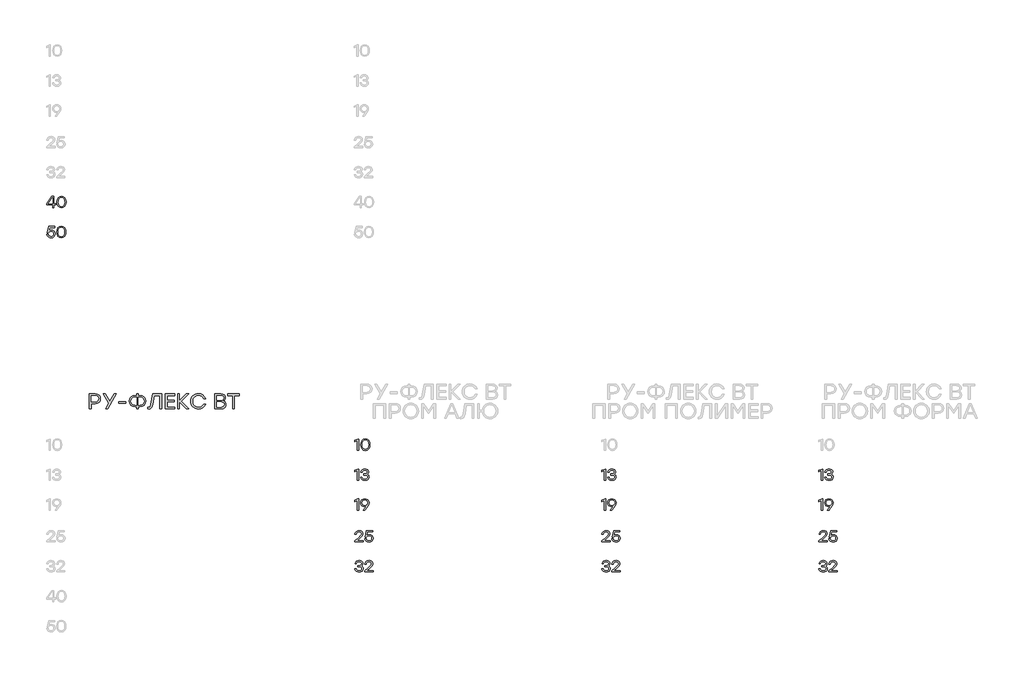
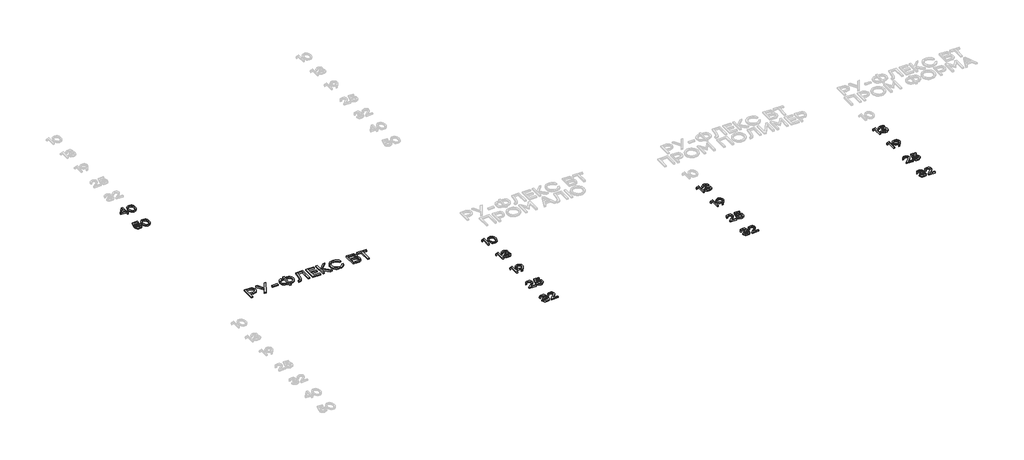
# One storey, part 18 of 41: 16 proxies.
"""IFC4 building model written with IfcOpenShell, lengths in millimetres."""

import ifcopenshell
import ifcopenshell.guid

model = None  # the IFC model being written
_history = None  # IfcOwnerHistory: only IFC2X3 demands one
_inside = {}  # id of a spatial element -> (the spatial element, [elements in it])
_under = {}  # id of a project, library or spatial element -> (it, [spatial elements below it])
_declared = {}  # id of a project -> (the project, [libraries it declares])
_typed = {}  # id of a type object -> (the type object, [elements of that type])
_made_of = {}  # id of a material, layer set ... -> (it, [elements and type objects made of it])


def new_model(schema):
    """Start an empty IFC model of exactly this schema.

    Asked for "IFC4X3", IfcOpenShell would pick the latest addendum, in which some entities
    have other attributes; the version numbers below select the first issue.
    IFC2X3 requires an IfcOwnerHistory on every rooted entity: one is made here for all.
    """
    global model, _history
    if schema == "IFC4X3":
        model = ifcopenshell.file(schema_version=(4, 3, 0, 0))
    else:
        model = ifcopenshell.file(schema=schema)
    _inside.clear()
    _under.clear()
    _declared.clear()
    _typed.clear()
    _made_of.clear()
    _history = None
    if model.schema == "IFC2X3":
        org = make("IfcOrganization", Name="unknown")
        user = make(
            "IfcPersonAndOrganization",
            ThePerson=make("IfcPerson", FamilyName="unknown"),
            TheOrganization=org,
        )
        app = make(
            "IfcApplication",
            ApplicationDeveloper=org,
            Version="unknown",
            ApplicationFullName="unknown",
            ApplicationIdentifier="unknown",
        )
        _history = make(
            "IfcOwnerHistory",
            OwningUser=user,
            OwningApplication=app,
            ChangeAction="ADDED",
            CreationDate=0,
        )
    return model


def make(cls, **values):
    """One entity of the class cls with the attributes given. An attribute that is None is left unset."""
    return model.create_entity(
        cls, **{name: value for name, value in values.items() if value is not None}
    )


def rooted(cls, **values):
    """An entity with a GlobalId (a new one), such as an element, a storey or a relation."""
    return make(cls, GlobalId=ifcopenshell.guid.new(), OwnerHistory=_history, **values)


def si_unit(unit_type, name, prefix=None):
    """IfcSIUnit, for example si_unit("LENGTHUNIT", "METRE", prefix="MILLI")."""
    return make("IfcSIUnit", UnitType=unit_type, Prefix=prefix, Name=name)


def assignment(units):
    """IfcUnitAssignment: the units of a project."""
    return None if units is None else make("IfcUnitAssignment", Units=units)


def point(xyz):
    """IfcCartesianPoint."""
    return None if xyz is None else make("IfcCartesianPoint", Coordinates=xyz)


def direction(xyz):
    """IfcDirection."""
    return None if xyz is None else make("IfcDirection", DirectionRatios=xyz)


def frame(location, z_axis=None, x_axis=None):
    """IfcAxis2Placement3D, a coordinate frame: its origin and axes. An axis left out is left unset."""
    return make(
        "IfcAxis2Placement3D",
        Location=point(location),
        Axis=direction(z_axis),
        RefDirection=direction(x_axis),
    )


def origin():
    """The frame at (0, 0, 0) with its axes left unset."""
    return frame((0.0, 0.0, 0.0))


def origin_with_axes():
    """The frame at (0, 0, 0) with the z axis (0, 0, 1) and the x axis (1, 0, 0) written out."""
    return frame((0.0, 0.0, 0.0), z_axis=(0.0, 0.0, 1.0), x_axis=(1.0, 0.0, 0.0))


def place(relative_to, where):
    """IfcLocalPlacement: puts the frame where relative to a parent placement (None: the world)."""
    return make(
        "IfcLocalPlacement", PlacementRelTo=relative_to, RelativePlacement=where
    )


def context(
    kind, dimensions, precision=None, world=None, true_north=None, identifier=None
):
    """IfcGeometricRepresentationContext, for example the 3D "Model" context."""
    return make(
        "IfcGeometricRepresentationContext",
        ContextIdentifier=identifier,
        ContextType=kind,
        CoordinateSpaceDimension=dimensions,
        Precision=precision,
        WorldCoordinateSystem=world,
        TrueNorth=true_north,
    )


def project(units=None, contexts=None):
    """IfcProject with its units and contexts."""
    return rooted(
        "IfcProject",
        Name="project",
        RepresentationContexts=contexts,
        UnitsInContext=assignment(units),
    )


def spatial(cls, under=None, at=None, **own):
    """A site, building, storey or space (cls), placed at a placement, below another one or the project."""
    s = rooted(cls, ObjectPlacement=at, **own)
    if under is not None:
        _under.setdefault(under.id(), (under, []))[1].append(s)
    return s


def polyline(points):
    """IfcPolyline through the points."""
    return make("IfcPolyline", Points=[point(p) for p in points])


def outline(outer, holes=None, kind="AREA"):
    """IfcArbitraryClosedProfileDef: a profile drawn as a closed curve; with holes, ...WithVoids."""
    if holes is None:
        return make("IfcArbitraryClosedProfileDef", ProfileType=kind, OuterCurve=outer)
    return make(
        "IfcArbitraryProfileDefWithVoids",
        ProfileType=kind,
        OuterCurve=outer,
        InnerCurves=holes,
    )


def extrude(swept, where, along, depth):
    """IfcExtrudedAreaSolid: the profile swept, set in the frame where, extruded along a direction by depth."""
    return make(
        "IfcExtrudedAreaSolid",
        SweptArea=swept,
        Position=where,
        ExtrudedDirection=direction(along),
        Depth=depth,
    )


def shape(context_of_items, identifier, shape_type, items):
    """IfcShapeRepresentation: the items that make up one representation, for example the "Body"."""
    return make(
        "IfcShapeRepresentation",
        ContextOfItems=context_of_items,
        RepresentationIdentifier=identifier,
        RepresentationType=shape_type,
        Items=items,
    )


def made_of(thing, what):
    """Note that an element or type object is made of a material, layer set ...; save() writes the relation."""
    if what is not None:
        _made_of.setdefault(what.id(), (what, []))[1].append(thing)
    return thing


def element(
    cls,
    number,
    at=None,
    inside=None,
    cuts=None,
    type_object=None,
    material=None,
    context=None,
    identifier="Body",
    shape_type=None,
    held_by="IfcProductDefinitionShape",
    body=None,
    shapes=None,
    **own,
):
    """One element of the class cls, such as IfcWall. Its Tag is "e" and its number.

    at: its placement. inside: the storey or other place that contains it. cuts: it is an
    opening in that element (IfcRelVoidsElement). A single representation is given by context,
    identifier, shape_type and body (its items); several are given by shapes. held_by: the class
    of the entity that holds the representations. save() writes the other relations.
    """
    e = rooted(cls, Tag="e%d" % number, ObjectPlacement=at, **own)
    if body is not None:
        shapes = [shape(context, identifier, shape_type, body)]
    if shapes is not None:
        e.Representation = make(held_by, Representations=shapes)
    if inside is not None:
        _inside.setdefault(inside.id(), (inside, []))[1].append(e)
    if cuts is not None:
        rooted(
            "IfcRelVoidsElement", RelatingBuildingElement=cuts, RelatedOpeningElement=e
        )
    if type_object is not None:
        _typed.setdefault(type_object.id(), (type_object, []))[1].append(e)
    return made_of(e, material)


def aggregate(whole, parts):
    """IfcRelAggregates: a whole, such as a stair, and the parts it consists of."""
    return rooted("IfcRelAggregates", RelatingObject=whole, RelatedObjects=parts)


def save(model, path):
    """Write the relations noted so far, then the file.

    IfcRelAggregates (storeys below a building ...), IfcRelContainedInSpatialStructure (elements
    in a storey), IfcRelDefinesByType, IfcRelAssociatesMaterial and IfcRelDeclares: one each for
    every whole, place, type object, material and project.
    """
    for whole, parts in _under.values():
        aggregate(whole, parts)
    for where, things in _inside.values():
        rooted(
            "IfcRelContainedInSpatialStructure",
            RelatedElements=things,
            RelatingStructure=where,
        )
    for kind, things in _typed.values():
        rooted("IfcRelDefinesByType", RelatedObjects=things, RelatingType=kind)
    for what, things in _made_of.values():
        rooted("IfcRelAssociatesMaterial", RelatedObjects=things, RelatingMaterial=what)
    for by, libraries in _declared.values():
        rooted("IfcRelDeclares", RelatingContext=by, RelatedDefinitions=libraries)
    model.write(path)


model = new_model("IFC4")

# Units and contexts
model_context = context("Model", 3, world=origin())
ifc_project = project(units=[si_unit("LENGTHUNIT", "METRE", prefix="MILLI")], contexts=[model_context])

# Site, building, storey
site = spatial("IfcSite", under=ifc_project)
building = spatial("IfcBuilding", under=site)
storey = spatial("IfcBuildingStorey", under=building, Elevation=0.0)

# Proxies
placement = place(None, origin())
element("IfcBuildingElementProxy", 1, Name="Generic Models", at=placement, inside=storey, context=model_context, shape_type="SweptSolid", body=[
    extrude(outline(polyline([(21547.8404011, -40418.2575634), (21547.8404011, -40434.9993356), (21525.7735351, -40434.9993356), (21525.7735351, -40470.9840604), (21507.9828808, -40470.9840604), (21507.9828808, -40434.9993356), (21427.6223744, -40434.9993356), (21427.6223744, -40418.2575634), (21499.1884077, -40320.9939183), (21525.7735351, -40320.9939183), (21525.7735351, -40418.2575634), (21547.8404011, -40418.2575634)]), holes=[polyline([(21447.3090848, -40418.0558553), (21507.9828808, -40418.0558553), (21507.9828808, -40337.6953488), (21506.2481912, -40337.6953488), (21447.3090848, -40418.0558553)])]), origin_with_axes(), (0.0, 0.0, 1.0), 20.0),
    extrude(outline(polyline([(21627.4344168, -40318.6137627), (21652.9404059, -40323.676636), (21672.0119066, -40338.8652558), (21683.9025991, -40363.266893), (21687.8661632, -40395.9688185), (21683.9025991, -40428.670744), (21672.0119066, -40453.0723813), (21652.9404059, -40468.2610011), (21627.4344168, -40473.3238744), (21602.0797088, -40468.2912573), (21582.9779519, -40453.1934061), (21570.9964909, -40428.8270678), (21567.0026705, -40395.9889893), (21570.9964909, -40363.1458682), (21582.9779519, -40338.7644018), (21602.0797088, -40323.6514225), (21627.4344168, -40318.6137627)]), holes=[polyline([(21596.2503448, -40441.7363861), (21609.6740188, -40452.7496483), (21627.4344168, -40456.4207357), (21645.1948149, -40452.7496483), (21658.6184889, -40441.7363861), (21667.0599728, -40422.9573621), (21669.8738008, -40395.9889893), (21667.0599728, -40369.0206166), (21658.6184889, -40350.2415926), (21645.1948149, -40339.2283304), (21627.4344168, -40335.557243), (21609.6740188, -40339.2283304), (21596.2503448, -40350.2415926), (21587.8088609, -40369.0206166), (21584.9950329, -40395.9889893), (21587.8088609, -40422.9573621), (21596.2503448, -40441.7363861)])]), origin_with_axes(), (0.0, 0.0, 1.0), 20.0),
])
element("IfcBuildingElementProxy", 2, Name="Generic Models", at=placement, inside=storey, context=model_context, shape_type="SweptSolid", body=[
    extrude(outline(polyline([(21491.6848665, -40771.9857256), (21511.573285, -40775.3592936), (21527.9923242, -40785.4799974), (21539.0055864, -40801.1779302), (21542.6766738, -40821.2831849), (21538.7685794, -40841.9834785), (21527.0442962, -40858.6596956), (21509.4805635, -40869.6578297), (21488.0541207, -40873.3238744), (21467.0966493, -40870.2730394), (21449.2454825, -40861.1205344), (21436.2252248, -40846.3908005), (21429.7604802, -40826.6082787), (21447.7528426, -40826.6082787), (21452.9014418, -40839.3108462), (21461.8925803, -40848.6953155), (21473.8891695, -40854.4893806), (21488.0541207, -40856.4207357), (21502.5418049, -40853.8993845), (21514.2963443, -40846.3353308), (21522.0873196, -40835.0295918), (21524.6843114, -40821.2831849), (21522.1125332, -40807.3401126), (21514.3971984, -40796.4125764), (21502.7182995, -40789.3477502), (21488.2558288, -40786.9928081), (21467.2580157, -40791.8640587), (21452.6745202, -40806.4778105), (21435.5293318, -40806.4778105), (21453.7637439, -40720.9939183), (21535.6168904, -40720.9939183), (21535.6168904, -40737.8970569), (21467.2378449, -40737.8970569), (21457.3944897, -40784.6126526), (21472.8251593, -40775.1424574), (21491.6848665, -40771.9857256)])), origin_with_axes(), (0.0, 0.0, 1.0), 20.0),
    extrude(outline(polyline([(21624.8525532, -40718.6137627), (21650.3585423, -40723.676636), (21669.430043, -40738.8652558), (21681.3207354, -40763.266893), (21685.2842995, -40795.9688185), (21681.3207354, -40828.670744), (21669.430043, -40853.0723813), (21650.3585423, -40868.2610011), (21624.8525532, -40873.3238744), (21599.4978452, -40868.2912573), (21580.3960882, -40853.1934061), (21568.4146272, -40828.8270678), (21564.4208068, -40795.9889893), (21568.4146272, -40763.1458682), (21580.3960882, -40738.7644018), (21599.4978452, -40723.6514225), (21624.8525532, -40718.6137627)]), holes=[polyline([(21593.6684811, -40841.7363861), (21607.0921551, -40852.7496483), (21624.8525532, -40856.4207357), (21642.6129513, -40852.7496483), (21656.0366252, -40841.7363861), (21664.4781092, -40822.9573621), (21667.2919371, -40795.9889893), (21664.4781092, -40769.0206166), (21656.0366252, -40750.2415926), (21642.6129513, -40739.2283304), (21624.8525532, -40735.557243), (21607.0921551, -40739.2283304), (21593.6684811, -40750.2415926), (21585.2269972, -40769.0206166), (21582.4131692, -40795.9889893), (21585.2269972, -40822.9573621), (21593.6684811, -40841.7363861)])]), origin_with_axes(), (0.0, 0.0, 1.0), 20.0),
])
element("IfcBuildingElementProxy", 3, Name="Generic Models", at=placement, inside=storey, context=model_context, shape_type="SweptSolid", body=[
    extrude(outline(polyline([(22078.8295884, -42958.078303), (22107.8486602, -42962.5427756), (22129.713818, -42975.9361933), (22143.4299687, -42996.3893945), (22148.002019, -43022.0332175), (22143.3896271, -43048.0670094), (22129.5524516, -43068.937074), (22107.6469521, -43082.6532247), (22078.8295884, -43087.225275), (22022.2437431, -43087.225275), (22022.2437431, -43158.0651592), (21998.5228707, -43158.0651592), (21998.5228707, -42958.078303), (22078.8295884, -42958.078303)]), holes=[polyline([(22077.9689671, -43064.6339679), (22097.8372149, -43061.6352408), (22112.2593439, -43052.6390596), (22121.0336462, -43039.0708282), (22123.9584136, -43022.3559504), (22121.0336462, -43005.7083087), (22112.2593439, -42992.3417854), (22097.8372149, -42983.5473123), (22077.9689671, -42980.6158212), (22022.2437431, -42980.6158212), (22022.2437431, -43064.6339679), (22077.9689671, -43064.6339679)])]), origin_with_axes(), (0.0, 0.0, 1.0), 20.0),
    extrude(outline(polyline([(22357.025398, -42958.078303), (22243.9074963, -43158.0651592), (22217.0668719, -43158.0651592), (22258.4842682, -43085.5040325), (22185.6004086, -42958.078303), (22212.4948217, -42958.078303), (22271.6087418, -43060.0619177), (22330.4537178, -42958.078303), (22357.025398, -42958.078303)])), origin_with_axes(), (0.0, 0.0, 1.0), 20.0),
    extrude(outline(polyline([(22483.5905063, -43060.6535948), (22483.5905063, -43083.191113), (22390.9661474, -43083.191113), (22390.9661474, -43060.6535948), (22483.5905063, -43060.6535948)])), origin_with_axes(), (0.0, 0.0, 1.0), 20.0),
    extrude(outline(polyline([(22674.1643178, -42980.6158212), (22705.8123185, -42985.7257597), (22731.5838899, -43001.0555752), (22741.5734835, -43012.1579252), (22748.7089075, -43025.0252209), (22754.4172467, -43056.0546501), (22748.7425255, -43087.0840793), (22741.649124, -43099.9513751), (22731.718362, -43111.053725), (22705.9804086, -43126.3835405), (22674.1643178, -43131.493479), (22654.4238186, -43131.493479), (22654.4238186, -43158.0651592), (22630.7029462, -43158.0651592), (22630.7029462, -43131.493479), (22610.7472916, -43131.493479), (22578.8908592, -43126.3835405), (22553.1394587, -43111.053725), (22543.2086966, -43099.9513751), (22536.1152951, -43087.0840793), (22530.440574, -43056.0546501), (22536.1556368, -43025.0252209), (22543.2994652, -43012.1579252), (22553.3008251, -43001.0555752), (22579.0925673, -42985.7257597), (22610.7472916, -42980.6158212), (22630.7029462, -42980.6158212), (22630.7029462, -42958.078303), (22654.4238186, -42958.078303), (22654.4238186, -42980.6158212), (22674.1643178, -42980.6158212)]), holes=[polyline([(22674.1643178, -43108.902172), (22696.7690721, -43105.4395163), (22714.8824593, -43095.0515492), (22726.7832371, -43078.377013), (22730.7501631, -43056.0546501), (22726.7832371, -43033.7322872), (22714.8824593, -43017.057751), (22696.7690721, -43006.669784), (22674.1643178, -43003.2071283), (22654.4238186, -43003.2071283), (22654.4238186, -43108.902172), (22674.1643178, -43108.902172)]), polyline([(22610.7472916, -43108.902172), (22630.7029462, -43108.902172), (22630.7029462, -43003.2071283), (22610.7472916, -43003.2071283), (22588.3442455, -43006.669784), (22570.2980942, -43017.057751), (22558.3973164, -43033.7322872), (22554.4303905, -43056.0546501), (22558.3569748, -43078.377013), (22570.1367278, -43095.0515492), (22588.1425374, -43105.4395163), (22610.7472916, -43108.902172)])]), origin_with_axes(), (0.0, 0.0, 1.0), 20.0),
    extrude(outline(polyline([(22844.0832201, -42958.078303), (22964.3550357, -42958.078303), (22964.3550357, -43158.0651592), (22940.6341633, -43158.0651592), (22940.6341633, -42980.6158212), (22864.0388747, -42980.6158212), (22844.9438413, -43096.9072637), (22837.8437162, -43126.9281524), (22828.0541499, -43146.6350336), (22814.848993, -43157.5474417), (22797.5020965, -43161.1849111), (22781.7957592, -43160.3242899), (22781.7957592, -43138.6473929), (22792.9300463, -43139.1852812), (22803.6272991, -43136.899256), (22811.1913528, -43130.0411807), (22821.4919131, -43095.5087542), (22844.0832201, -42958.078303)])), origin_with_axes(), (0.0, 0.0, 1.0), 20.0),
    extrude(outline(polyline([(23140.9437524, -42980.6158212), (23037.7767836, -42980.6158212), (23037.7767836, -43044.0866363), (23134.0587827, -43044.0866363), (23134.0587827, -43066.6241545), (23037.7767836, -43066.6241545), (23037.7767836, -43135.4738521), (23140.9437524, -43135.4738521), (23140.9437524, -43158.0651592), (23014.0559112, -43158.0651592), (23014.0559112, -42958.078303), (23140.9437524, -42958.078303), (23140.9437524, -42980.6158212)])), origin_with_axes(), (0.0, 0.0, 1.0), 20.0),
    extrude(outline(polyline([(23327.5909797, -43158.0651592), (23297.0389263, -43158.0651592), (23203.016058, -43060.9225389), (23203.016058, -43158.0651592), (23179.2951856, -43158.0651592), (23179.2951856, -42958.078303), (23203.016058, -42958.078303), (23203.016058, -43051.7784384), (23293.9191744, -42958.078303), (23324.2022836, -42958.078303), (23229.5877382, -43056.0815445), (23327.5909797, -43158.0651592)])), origin_with_axes(), (0.0, 0.0, 1.0), 20.0),
    extrude(outline(polyline([(23456.630374, -43161.1849111), (23435.4325337, -43159.3460056), (23416.107217, -43153.8292891), (23398.6544237, -43144.6347616), (23383.074154, -43131.7624231), (23370.260647, -43116.121641), (23361.1081421, -43098.6217825), (23355.6166391, -43079.2628478), (23353.7861381, -43058.0448367), (23355.6166391, -43036.8268256), (23361.1081421, -43017.4678908), (23370.260647, -42999.9680324), (23383.074154, -42984.3272502), (23398.6544237, -42971.4549118), (23416.107217, -42962.2603843), (23435.4325337, -42956.7436678), (23456.630374, -42954.9047623), (23488.1102846, -42959.4431945), (23515.6367164, -42973.0584911), (23537.3808494, -42994.3118011), (23551.5138636, -43021.7642734), (23526.0717487, -43021.7642734), (23514.6080051, -43003.5567556), (23498.5049752, -42989.4909776), (23478.7577524, -42980.4947964), (23456.3614298, -42977.4960693), (23425.4597491, -42983.2447501), (23400.2058952, -43000.4907925), (23383.3834398, -43026.3833888), (23377.7759546, -43058.0717311), (23383.3834398, -43089.7600734), (23400.2058952, -43115.6526697), (23425.4597491, -43132.8987121), (23456.3614298, -43138.6473929), (23478.7577524, -43135.6486658), (23498.5049752, -43126.6524846), (23514.6080051, -43112.5732593), (23526.0717487, -43094.3254), (23551.5138636, -43094.3254), (23537.3808494, -43121.8114903), (23515.6367164, -43143.0580767), (23488.1102846, -43156.6532025), (23456.630374, -43161.1849111)])), origin_with_axes(), (0.0, 0.0, 1.0), 20.0),
    extrude(outline(polyline([(23789.9059417, -43051.7784384), (23805.0374109, -43058.6062576), (23815.8456032, -43069.3539374), (23822.3305186, -43084.021478), (23824.492157, -43102.6088793), (23820.3100758, -43125.8120342), (23807.763832, -43143.3539152), (23787.2165004, -43154.3873482), (23759.0311554, -43158.0651592), (23675.0130087, -43158.0651592), (23675.0130087, -42958.078303), (23757.6326459, -42958.078303), (23783.9286584, -42961.399763), (23802.8959433, -42971.3641431), (23814.3731341, -42987.3932133), (23818.1988643, -43008.9087439), (23816.4305567, -43023.2669987), (23811.1256337, -43035.1980327), (23802.2840954, -43044.701846), (23789.9059417, -43051.7784384)]), holes=[polyline([(23758.7622113, -43135.4738521), (23777.1411809, -43133.3155755), (23790.2690163, -43126.8407455), (23798.1457175, -43116.0493622), (23800.7712846, -43100.9414257), (23798.2701042, -43085.6183338), (23790.7665629, -43074.5042175), (23777.6151949, -43067.7469962), (23758.1705342, -43065.4945891), (23698.7338811, -43065.4945891), (23698.7338811, -43135.4738521), (23758.7622113, -43135.4738521)]), polyline([(23794.2090478, -43012.3512287), (23791.9230227, -42998.567842), (23785.0649473, -42988.6303564), (23772.9221198, -42982.619455), (23754.7818381, -42980.6158212), (23698.7338811, -42980.6158212), (23698.7338811, -43043.7639033), (23754.190161, -43043.7639033), (23772.7742005, -43041.7669931), (23785.0649473, -43035.7762626), (23791.9230227, -43025.9261838), (23794.2090478, -43012.3512287)])]), origin_with_axes(), (0.0, 0.0, 1.0), 20.0),
    extrude(outline(polyline([(24001.8339173, -42958.078303), (24001.8339173, -42980.6158212), (23937.2335369, -42980.6158212), (23937.2335369, -43158.0651592), (23913.2437204, -43158.0651592), (23913.2437204, -42980.6158212), (23848.966073, -42980.6158212), (23848.966073, -42958.078303), (24001.8339173, -42958.078303)])), origin_with_axes(), (0.0, 0.0, 1.0), 20.0),
])
element("IfcBuildingElementProxy", 4, Name="Generic Models", at=placement, inside=storey, context=model_context, shape_type="SweptSolid", body=[
    extrude(outline(polyline([(25587.9301952, -43562.6551887), (25596.0792024, -43562.6551887), (25596.0792024, -43712.6453308), (25578.2885481, -43712.6453308), (25578.2885481, -43583.4311228), (25543.7964632, -43597.3489816), (25543.7964632, -43579.800377), (25587.9301952, -43562.6551887)])), origin_with_axes(), (0.0, 0.0, 1.0), 20.0),
    extrude(outline(polyline([(25686.8075052, -43560.2750331), (25712.3134942, -43565.3379064), (25731.3849949, -43580.5265262), (25743.2756874, -43604.9281634), (25747.2392515, -43637.6300889), (25743.2756874, -43670.3320144), (25731.3849949, -43694.7336516), (25712.3134942, -43709.9222715), (25686.8075052, -43714.9851447), (25661.4527972, -43709.9525277), (25642.3510402, -43694.8546765), (25630.3695792, -43670.4883382), (25626.3757588, -43637.6502597), (25630.3695792, -43604.8071386), (25642.3510402, -43580.4256721), (25661.4527972, -43565.3126929), (25686.8075052, -43560.2750331)]), holes=[polyline([(25655.6234331, -43683.3976565), (25669.0471071, -43694.4109187), (25686.8075052, -43698.0820061), (25704.5679032, -43694.4109187), (25717.9915772, -43683.3976565), (25726.4330611, -43664.6186325), (25729.2468891, -43637.6502597), (25726.4330611, -43610.6818869), (25717.9915772, -43591.902863), (25704.5679032, -43580.8896008), (25686.8075052, -43577.2185134), (25669.0471071, -43580.8896008), (25655.6234331, -43591.902863), (25647.1819492, -43610.6818869), (25644.3681212, -43637.6502597), (25647.1819492, -43664.6186325), (25655.6234331, -43683.3976565)])]), origin_with_axes(), (0.0, 0.0, 1.0), 20.0),
])
element("IfcBuildingElementProxy", 5, Name="Generic Models", at=placement, inside=storey, context=model_context, shape_type="SweptSolid", body=[
    extrude(outline(polyline([(25587.9301952, -43962.6551887), (25596.0792024, -43962.6551887), (25596.0792024, -44112.6453308), (25578.2885481, -44112.6453308), (25578.2885481, -43983.4311228), (25543.7964632, -43997.3489816), (25543.7964632, -43979.800377), (25587.9301952, -43962.6551887)])), origin_with_axes(), (0.0, 0.0, 1.0), 20.0),
    extrude(outline(polyline([(25709.1164209, -44033.5757561), (25720.3263484, -44039.0420456), (25728.7022772, -44047.2919068), (25733.9214743, -44057.9521799), (25735.6612066, -44070.6497047), (25731.9649057, -44088.8992449), (25720.876003, -44102.9835129), (25703.7862844, -44111.9847368), (25682.0875356, -44114.9851447), (25660.7014345, -44112.0956762), (25642.7746272, -44103.4272707), (25629.83001, -44089.2421486), (25623.3904789, -44069.8025306), (25641.3828413, -44069.8025306), (25646.2440065, -44082.1748011), (25654.6148926, -44091.0121372), (25666.4954996, -44096.3145389), (25681.8858275, -44098.0820061), (25696.7970987, -44096.150651), (25708.1280512, -44090.3565859), (25715.283646, -44081.2444225), (25717.6688442, -44069.3587728), (25715.6618487, -44058.577475), (25709.6408619, -44050.1965035), (25699.2730656, -44044.8108972), (25684.2256415, -44043.0156951), (25663.4497073, -44043.0156951), (25663.4497073, -44027.3631467), (25679.1022558, -44027.3631467), (25693.8219043, -44025.9158911), (25704.3359389, -44021.5741243), (25710.6443597, -44014.3378462), (25712.7471666, -44004.207057), (25710.4678651, -43993.0677272), (25703.6299606, -43984.5001757), (25693.0402854, -43979.038929), (25679.505672, -43977.2185134), (25666.6669515, -43978.7464522), (25656.3899239, -43983.3302688), (25648.7250161, -43991.443977), (25643.7226553, -44003.5615911), (25625.7302929, -44003.5615911), (25632.4017883, -43984.3589801), (25644.2672672, -43970.8848791), (25660.4190432, -43962.9274946), (25679.9494298, -43960.2750331), (25699.9639159, -43963.1947578), (25716.2770584, -43971.953932), (25727.1239114, -43985.3221362), (25730.739529, -44002.0689511), (25725.1723855, -44021.3522454), (25718.3748226, -44028.5834807), (25709.1164209, -44033.5757561)])), origin_with_axes(), (0.0, 0.0, 1.0), 20.0),
])
element("IfcBuildingElementProxy", 6, Name="Generic Models", at=placement, inside=storey, context=model_context, shape_type="SweptSolid", body=[
    extrude(outline(polyline([(25587.9301952, -44362.6551887), (25596.0792024, -44362.6551887), (25596.0792024, -44512.6453308), (25578.2885481, -44512.6453308), (25578.2885481, -44383.4311228), (25543.7964632, -44397.3489816), (25543.7964632, -44379.800377), (25587.9301952, -44362.6551887)])), origin_with_axes(), (0.0, 0.0, 1.0), 20.0),
    extrude(outline(polyline([(25679.505672, -44360.2750331), (25701.3758726, -44363.920907), (25719.3833631, -44374.8585286), (25731.4404647, -44392.0087597), (25735.4594985, -44414.2924619), (25732.8322506, -44432.1335432), (25724.9505066, -44450.0754786), (25683.1767594, -44509.6600509), (25680.7966038, -44512.6453308), (25660.0206697, -44512.6453308), (25702.6617617, -44455.6426221), (25688.6833905, -44461.6030964), (25674.5839944, -44463.5899212), (25654.9224975, -44460.2415668), (25638.3773907, -44450.1965035), (25627.1372069, -44434.3624177), (25623.3904789, -44413.646996), (25627.4095128, -44392.0995284), (25639.4666144, -44375.0602367), (25657.5144465, -44363.971334), (25679.505672, -44360.2750331)]), holes=[polyline([(25679.3039639, -44449.6317208), (25694.6892491, -44447.170882), (25706.9581442, -44439.7883656), (25714.9911692, -44428.2809185), (25717.6688442, -44413.4452879), (25714.9356995, -44398.6046145), (25706.7362653, -44387.0820394), (25694.4673702, -44379.6843949), (25679.5258428, -44377.2185134), (25664.5843154, -44379.7348219), (25652.3154203, -44387.2837475), (25644.1159861, -44398.9071767), (25641.3828413, -44413.646996), (25644.0857299, -44428.4574131), (25652.1943954, -44439.8892196), (25664.3775646, -44447.1960955), (25679.3039639, -44449.6317208)])]), origin_with_axes(), (0.0, 0.0, 1.0), 20.0),
])
element("IfcBuildingElementProxy", 7, Name="Generic Models", at=placement, inside=storey, context=model_context, shape_type="SweptSolid", body=[
    extrude(outline(polyline([(25658.4473465, -44919.5001424), (25658.4473465, -44936.6453308), (25545.9345691, -44936.6453308), (25545.9345691, -44923.7763541), (25589.4228351, -44885.8552316), (25628.1104485, -44849.8705068), (25634.4642536, -44839.9061267), (25636.5821886, -44829.2962807), (25634.2776736, -44818.020798), (25627.3641285, -44809.0447876), (25616.592916, -44803.1750819), (25602.7153988, -44801.2185134), (25588.7824119, -44803.2809787), (25577.8447903, -44809.4683746), (25569.968089, -44819.4075412), (25565.2178633, -44832.7253184), (25547.2255009, -44832.7253184), (25553.4229822, -44812.7259604), (25565.6414503, -44797.3457179), (25582.7412544, -44787.5427043), (25603.5827437, -44784.2750331), (25624.1267135, -44787.4368075), (25640.3339592, -44796.9221309), (25650.863122, -44811.1778508), (25654.3728429, -44828.6508148), (25651.8262782, -44843.28978), (25644.1865839, -44856.3856784), (25603.9861599, -44894.6497047), (25575.2629266, -44919.5001424), (25658.4473465, -44919.5001424)])), origin_with_axes(), (0.0, 0.0, 1.0), 20.0),
    extrude(outline(polyline([(25739.5340021, -44837.646996), (25759.4224207, -44841.0205639), (25775.8414599, -44851.1412678), (25786.8547221, -44866.8392006), (25790.5258095, -44886.9444553), (25786.6177151, -44907.6447489), (25774.8934318, -44924.320966), (25757.3296991, -44935.3191), (25735.9032564, -44938.9851447), (25714.9457849, -44935.9343097), (25697.0946182, -44926.7818048), (25684.0743604, -44912.0520709), (25677.6096159, -44892.2695491), (25695.6019783, -44892.2695491), (25700.7505775, -44904.9721166), (25709.741716, -44914.3565859), (25721.7383051, -44920.150651), (25735.9032564, -44922.0820061), (25750.3909405, -44919.5606548), (25762.14548, -44911.9966011), (25769.9364553, -44900.6908622), (25772.5334471, -44886.9444553), (25769.9616688, -44873.001383), (25762.246334, -44862.0738467), (25750.5674351, -44855.0090206), (25736.1049645, -44852.6540785), (25715.1071514, -44857.5253291), (25700.5236559, -44872.1390809), (25683.3784675, -44872.1390809), (25701.6128796, -44786.6551887), (25783.466026, -44786.6551887), (25783.466026, -44803.5583273), (25715.0869806, -44803.5583273), (25705.2436254, -44850.273923), (25720.6742949, -44840.8037277), (25739.5340021, -44837.646996)])), origin_with_axes(), (0.0, 0.0, 1.0), 20.0),
])
element("IfcBuildingElementProxy", 8, Name="Generic Models", at=placement, inside=storey, context=model_context, shape_type="SweptSolid", body=[
    extrude(outline(polyline([(25631.660511, -45257.5757561), (25642.8704386, -45263.0420456), (25651.2463674, -45271.2919068), (25656.4655644, -45281.9521799), (25658.2052968, -45294.6497047), (25654.5089959, -45312.8992449), (25643.4200931, -45326.9835129), (25626.3303745, -45335.9847368), (25604.6316258, -45338.9851447), (25583.2455246, -45336.0956762), (25565.3187174, -45327.4272707), (25552.3741001, -45313.2421486), (25545.9345691, -45293.8025306), (25563.9269315, -45293.8025306), (25568.7880967, -45306.1748011), (25577.1589827, -45315.0121372), (25589.0395898, -45320.3145389), (25604.4299177, -45322.0820061), (25619.3411889, -45320.150651), (25630.6721413, -45314.3565859), (25637.8277361, -45305.2444225), (25640.2129344, -45293.3587728), (25638.2059388, -45282.577475), (25632.184952, -45274.1965035), (25621.8171558, -45268.8108972), (25606.7697316, -45267.0156951), (25585.9937975, -45267.0156951), (25585.9937975, -45251.3631467), (25601.6463459, -45251.3631467), (25616.3659944, -45249.9158911), (25626.8800291, -45245.5741243), (25633.1884498, -45238.3378462), (25635.2912568, -45228.207057), (25633.0119553, -45217.0677272), (25626.1740507, -45208.5001757), (25615.5843755, -45203.038929), (25602.0497621, -45201.2185134), (25589.2110416, -45202.7464522), (25578.934014, -45207.3302688), (25571.2691063, -45215.443977), (25566.2667454, -45227.5615911), (25548.274383, -45227.5615911), (25554.9458784, -45208.3589801), (25566.8113573, -45194.8848791), (25582.9631333, -45186.9274946), (25602.4935199, -45184.2750331), (25622.508006, -45187.1947578), (25638.8211485, -45195.953932), (25649.6680015, -45209.3221362), (25653.2836192, -45226.0689511), (25647.7164756, -45245.3522454), (25640.9189127, -45252.5834807), (25631.660511, -45257.5757561)])), origin_with_axes(), (0.0, 0.0, 1.0), 20.0),
    extrude(outline(polyline([(25790.1223933, -45319.5001424), (25790.1223933, -45336.6453308), (25677.6096159, -45336.6453308), (25677.6096159, -45323.7763541), (25721.0978819, -45285.8552316), (25759.7854952, -45249.8705068), (25766.1393003, -45239.9061267), (25768.2572354, -45229.2962807), (25765.9527203, -45218.020798), (25759.0391753, -45209.0447876), (25748.2679628, -45203.1750819), (25734.3904456, -45201.2185134), (25720.4574587, -45203.2809787), (25709.5198371, -45209.4683746), (25701.6431358, -45219.4075412), (25696.8929101, -45232.7253184), (25678.9005477, -45232.7253184), (25685.098029, -45212.7259604), (25697.3164971, -45197.3457179), (25714.4163012, -45187.5427043), (25735.2577904, -45184.2750331), (25755.8017603, -45187.4368075), (25772.009006, -45196.9221309), (25782.5381688, -45211.1778508), (25786.0478897, -45228.6508148), (25783.5013249, -45243.28978), (25775.8616307, -45256.3856784), (25735.6612066, -45294.6497047), (25706.9379734, -45319.5001424), (25790.1223933, -45319.5001424)])), origin_with_axes(), (0.0, 0.0, 1.0), 20.0),
])
element("IfcBuildingElementProxy", 9, Name="Generic Models", at=placement, inside=storey, context=model_context, shape_type="SweptSolid", body=[
    extrude(outline(polyline([(28887.9301952, -43962.6551887), (28896.0792024, -43962.6551887), (28896.0792024, -44112.6453308), (28878.2885481, -44112.6453308), (28878.2885481, -43983.4311228), (28843.7964632, -43997.3489816), (28843.7964632, -43979.800377), (28887.9301952, -43962.6551887)])), origin_with_axes(), (0.0, 0.0, 1.0), 20.0),
    extrude(outline(polyline([(29009.1164209, -44033.5757561), (29020.3263484, -44039.0420456), (29028.7022772, -44047.2919068), (29033.9214743, -44057.9521799), (29035.6612066, -44070.6497047), (29031.9649057, -44088.8992449), (29020.876003, -44102.9835129), (29003.7862844, -44111.9847368), (28982.0875356, -44114.9851447), (28960.7014345, -44112.0956762), (28942.7746272, -44103.4272707), (28929.83001, -44089.2421486), (28923.3904789, -44069.8025306), (28941.3828413, -44069.8025306), (28946.2440065, -44082.1748011), (28954.6148926, -44091.0121372), (28966.4954996, -44096.3145389), (28981.8858275, -44098.0820061), (28996.7970987, -44096.150651), (29008.1280512, -44090.3565859), (29015.283646, -44081.2444225), (29017.6688442, -44069.3587728), (29015.6618487, -44058.577475), (29009.6408619, -44050.1965035), (28999.2730656, -44044.8108972), (28984.2256415, -44043.0156951), (28963.4497073, -44043.0156951), (28963.4497073, -44027.3631467), (28979.1022558, -44027.3631467), (28993.8219043, -44025.9158911), (29004.3359389, -44021.5741243), (29010.6443597, -44014.3378462), (29012.7471666, -44004.207057), (29010.4678651, -43993.0677272), (29003.6299606, -43984.5001757), (28993.0402854, -43979.038929), (28979.505672, -43977.2185134), (28966.6669515, -43978.7464522), (28956.3899239, -43983.3302688), (28948.7250161, -43991.443977), (28943.7226553, -44003.5615911), (28925.7302929, -44003.5615911), (28932.4017883, -43984.3589801), (28944.2672672, -43970.8848791), (28960.4190432, -43962.9274946), (28979.9494298, -43960.2750331), (28999.9639159, -43963.1947578), (29016.2770584, -43971.953932), (29027.1239114, -43985.3221362), (29030.739529, -44002.0689511), (29025.1723855, -44021.3522454), (29018.3748226, -44028.5834807), (29009.1164209, -44033.5757561)])), origin_with_axes(), (0.0, 0.0, 1.0), 20.0),
])
element("IfcBuildingElementProxy", 10, Name="Generic Models", at=placement, inside=storey, context=model_context, shape_type="SweptSolid", body=[
    extrude(outline(polyline([(28887.9301952, -44362.6551887), (28896.0792024, -44362.6551887), (28896.0792024, -44512.6453308), (28878.2885481, -44512.6453308), (28878.2885481, -44383.4311228), (28843.7964632, -44397.3489816), (28843.7964632, -44379.800377), (28887.9301952, -44362.6551887)])), origin_with_axes(), (0.0, 0.0, 1.0), 20.0),
    extrude(outline(polyline([(28979.505672, -44360.2750331), (29001.3758726, -44363.920907), (29019.3833631, -44374.8585286), (29031.4404647, -44392.0087597), (29035.4594985, -44414.2924619), (29032.8322506, -44432.1335432), (29024.9505066, -44450.0754786), (28983.1767594, -44509.6600509), (28980.7966038, -44512.6453308), (28960.0206697, -44512.6453308), (29002.6617617, -44455.6426221), (28988.6833905, -44461.6030964), (28974.5839944, -44463.5899212), (28954.9224975, -44460.2415668), (28938.3773907, -44450.1965035), (28927.1372069, -44434.3624177), (28923.3904789, -44413.646996), (28927.4095128, -44392.0995284), (28939.4666144, -44375.0602367), (28957.5144465, -44363.971334), (28979.505672, -44360.2750331)]), holes=[polyline([(28979.3039639, -44449.6317208), (28994.6892491, -44447.170882), (29006.9581442, -44439.7883656), (29014.9911692, -44428.2809185), (29017.6688442, -44413.4452879), (29014.9356995, -44398.6046145), (29006.7362653, -44387.0820394), (28994.4673702, -44379.6843949), (28979.5258428, -44377.2185134), (28964.5843154, -44379.7348219), (28952.3154203, -44387.2837475), (28944.1159861, -44398.9071767), (28941.3828413, -44413.646996), (28944.0857299, -44428.4574131), (28952.1943954, -44439.8892196), (28964.3775646, -44447.1960955), (28979.3039639, -44449.6317208)])]), origin_with_axes(), (0.0, 0.0, 1.0), 20.0),
])
element("IfcBuildingElementProxy", 11, Name="Generic Models", at=placement, inside=storey, context=model_context, shape_type="SweptSolid", body=[
    extrude(outline(polyline([(28958.4473465, -44919.5001424), (28958.4473465, -44936.6453308), (28845.9345691, -44936.6453308), (28845.9345691, -44923.7763541), (28889.4228351, -44885.8552316), (28928.1104485, -44849.8705068), (28934.4642536, -44839.9061267), (28936.5821886, -44829.2962807), (28934.2776736, -44818.020798), (28927.3641285, -44809.0447876), (28916.592916, -44803.1750819), (28902.7153988, -44801.2185134), (28888.7824119, -44803.2809787), (28877.8447903, -44809.4683746), (28869.968089, -44819.4075412), (28865.2178633, -44832.7253184), (28847.2255009, -44832.7253184), (28853.4229822, -44812.7259604), (28865.6414503, -44797.3457179), (28882.7412544, -44787.5427043), (28903.5827437, -44784.2750331), (28924.1267135, -44787.4368075), (28940.3339592, -44796.9221309), (28950.863122, -44811.1778508), (28954.3728429, -44828.6508148), (28951.8262782, -44843.28978), (28944.1865839, -44856.3856784), (28903.9861599, -44894.6497047), (28875.2629266, -44919.5001424), (28958.4473465, -44919.5001424)])), origin_with_axes(), (0.0, 0.0, 1.0), 20.0),
    extrude(outline(polyline([(29039.5340021, -44837.646996), (29059.4224207, -44841.0205639), (29075.8414599, -44851.1412678), (29086.8547221, -44866.8392006), (29090.5258095, -44886.9444553), (29086.6177151, -44907.6447489), (29074.8934318, -44924.320966), (29057.3296991, -44935.3191), (29035.9032564, -44938.9851447), (29014.9457849, -44935.9343097), (28997.0946182, -44926.7818048), (28984.0743604, -44912.0520709), (28977.6096159, -44892.2695491), (28995.6019783, -44892.2695491), (29000.7505775, -44904.9721166), (29009.741716, -44914.3565859), (29021.7383051, -44920.150651), (29035.9032564, -44922.0820061), (29050.3909405, -44919.5606548), (29062.14548, -44911.9966011), (29069.9364553, -44900.6908622), (29072.5334471, -44886.9444553), (29069.9616688, -44873.001383), (29062.246334, -44862.0738467), (29050.5674351, -44855.0090206), (29036.1049645, -44852.6540785), (29015.1071514, -44857.5253291), (29000.5236559, -44872.1390809), (28983.3784675, -44872.1390809), (29001.6128796, -44786.6551887), (29083.466026, -44786.6551887), (29083.466026, -44803.5583273), (29015.0869806, -44803.5583273), (29005.2436254, -44850.273923), (29020.6742949, -44840.8037277), (29039.5340021, -44837.646996)])), origin_with_axes(), (0.0, 0.0, 1.0), 20.0),
])
element("IfcBuildingElementProxy", 12, Name="Generic Models", at=placement, inside=storey, context=model_context, shape_type="SweptSolid", body=[
    extrude(outline(polyline([(28931.660511, -45257.5757561), (28942.8704386, -45263.0420456), (28951.2463674, -45271.2919068), (28956.4655644, -45281.9521799), (28958.2052968, -45294.6497047), (28954.5089959, -45312.8992449), (28943.4200931, -45326.9835129), (28926.3303745, -45335.9847368), (28904.6316258, -45338.9851447), (28883.2455246, -45336.0956762), (28865.3187174, -45327.4272707), (28852.3741001, -45313.2421486), (28845.9345691, -45293.8025306), (28863.9269315, -45293.8025306), (28868.7880967, -45306.1748011), (28877.1589827, -45315.0121372), (28889.0395898, -45320.3145389), (28904.4299177, -45322.0820061), (28919.3411889, -45320.150651), (28930.6721413, -45314.3565859), (28937.8277361, -45305.2444225), (28940.2129344, -45293.3587728), (28938.2059388, -45282.577475), (28932.184952, -45274.1965035), (28921.8171558, -45268.8108972), (28906.7697316, -45267.0156951), (28885.9937975, -45267.0156951), (28885.9937975, -45251.3631467), (28901.6463459, -45251.3631467), (28916.3659944, -45249.9158911), (28926.8800291, -45245.5741243), (28933.1884498, -45238.3378462), (28935.2912568, -45228.207057), (28933.0119553, -45217.0677272), (28926.1740507, -45208.5001757), (28915.5843755, -45203.038929), (28902.0497621, -45201.2185134), (28889.2110416, -45202.7464522), (28878.934014, -45207.3302688), (28871.2691063, -45215.443977), (28866.2667454, -45227.5615911), (28848.274383, -45227.5615911), (28854.9458784, -45208.3589801), (28866.8113573, -45194.8848791), (28882.9631333, -45186.9274946), (28902.4935199, -45184.2750331), (28922.508006, -45187.1947578), (28938.8211485, -45195.953932), (28949.6680015, -45209.3221362), (28953.2836192, -45226.0689511), (28947.7164756, -45245.3522454), (28940.9189127, -45252.5834807), (28931.660511, -45257.5757561)])), origin_with_axes(), (0.0, 0.0, 1.0), 20.0),
    extrude(outline(polyline([(29090.1223933, -45319.5001424), (29090.1223933, -45336.6453308), (28977.6096159, -45336.6453308), (28977.6096159, -45323.7763541), (29021.0978819, -45285.8552316), (29059.7854952, -45249.8705068), (29066.1393003, -45239.9061267), (29068.2572354, -45229.2962807), (29065.9527203, -45218.020798), (29059.0391753, -45209.0447876), (29048.2679628, -45203.1750819), (29034.3904456, -45201.2185134), (29020.4574587, -45203.2809787), (29009.5198371, -45209.4683746), (29001.6431358, -45219.4075412), (28996.8929101, -45232.7253184), (28978.9005477, -45232.7253184), (28985.098029, -45212.7259604), (28997.3164971, -45197.3457179), (29014.4163012, -45187.5427043), (29035.2577904, -45184.2750331), (29055.8017603, -45187.4368075), (29072.009006, -45196.9221309), (29082.5381688, -45211.1778508), (29086.0478897, -45228.6508148), (29083.5013249, -45243.28978), (29075.8616307, -45256.3856784), (29035.6612066, -45294.6497047), (29006.9379734, -45319.5001424), (29090.1223933, -45319.5001424)])), origin_with_axes(), (0.0, 0.0, 1.0), 20.0),
])
element("IfcBuildingElementProxy", 13, Name="Generic Models", at=placement, inside=storey, context=model_context, shape_type="SweptSolid", body=[
    extrude(outline(polyline([(31787.9301952, -43962.6551887), (31796.0792024, -43962.6551887), (31796.0792024, -44112.6453308), (31778.2885481, -44112.6453308), (31778.2885481, -43983.4311228), (31743.7964632, -43997.3489816), (31743.7964632, -43979.800377), (31787.9301952, -43962.6551887)])), origin_with_axes(), (0.0, 0.0, 1.0), 20.0),
    extrude(outline(polyline([(31909.1164209, -44033.5757561), (31920.3263484, -44039.0420456), (31928.7022772, -44047.2919068), (31933.9214743, -44057.9521799), (31935.6612066, -44070.6497047), (31931.9649057, -44088.8992449), (31920.876003, -44102.9835129), (31903.7862844, -44111.9847368), (31882.0875356, -44114.9851447), (31860.7014345, -44112.0956762), (31842.7746272, -44103.4272707), (31829.83001, -44089.2421486), (31823.3904789, -44069.8025306), (31841.3828413, -44069.8025306), (31846.2440065, -44082.1748011), (31854.6148926, -44091.0121372), (31866.4954996, -44096.3145389), (31881.8858275, -44098.0820061), (31896.7970987, -44096.150651), (31908.1280512, -44090.3565859), (31915.283646, -44081.2444225), (31917.6688442, -44069.3587728), (31915.6618487, -44058.577475), (31909.6408619, -44050.1965035), (31899.2730656, -44044.8108972), (31884.2256415, -44043.0156951), (31863.4497073, -44043.0156951), (31863.4497073, -44027.3631467), (31879.1022558, -44027.3631467), (31893.8219043, -44025.9158911), (31904.3359389, -44021.5741243), (31910.6443597, -44014.3378462), (31912.7471666, -44004.207057), (31910.4678651, -43993.0677272), (31903.6299606, -43984.5001757), (31893.0402854, -43979.038929), (31879.505672, -43977.2185134), (31866.6669515, -43978.7464522), (31856.3899239, -43983.3302688), (31848.7250161, -43991.443977), (31843.7226553, -44003.5615911), (31825.7302929, -44003.5615911), (31832.4017883, -43984.3589801), (31844.2672672, -43970.8848791), (31860.4190432, -43962.9274946), (31879.9494298, -43960.2750331), (31899.9639159, -43963.1947578), (31916.2770584, -43971.953932), (31927.1239114, -43985.3221362), (31930.739529, -44002.0689511), (31925.1723855, -44021.3522454), (31918.3748226, -44028.5834807), (31909.1164209, -44033.5757561)])), origin_with_axes(), (0.0, 0.0, 1.0), 20.0),
])
element("IfcBuildingElementProxy", 14, Name="Generic Models", at=placement, inside=storey, context=model_context, shape_type="SweptSolid", body=[
    extrude(outline(polyline([(31787.9301952, -44362.6551887), (31796.0792024, -44362.6551887), (31796.0792024, -44512.6453308), (31778.2885481, -44512.6453308), (31778.2885481, -44383.4311228), (31743.7964632, -44397.3489816), (31743.7964632, -44379.800377), (31787.9301952, -44362.6551887)])), origin_with_axes(), (0.0, 0.0, 1.0), 20.0),
    extrude(outline(polyline([(31879.505672, -44360.2750331), (31901.3758726, -44363.920907), (31919.3833631, -44374.8585286), (31931.4404647, -44392.0087597), (31935.4594985, -44414.2924619), (31932.8322506, -44432.1335432), (31924.9505066, -44450.0754786), (31883.1767594, -44509.6600509), (31880.7966038, -44512.6453308), (31860.0206697, -44512.6453308), (31902.6617617, -44455.6426221), (31888.6833905, -44461.6030964), (31874.5839944, -44463.5899212), (31854.9224975, -44460.2415668), (31838.3773907, -44450.1965035), (31827.1372069, -44434.3624177), (31823.3904789, -44413.646996), (31827.4095128, -44392.0995284), (31839.4666144, -44375.0602367), (31857.5144465, -44363.971334), (31879.505672, -44360.2750331)]), holes=[polyline([(31879.3039639, -44449.6317208), (31894.6892491, -44447.170882), (31906.9581442, -44439.7883656), (31914.9911692, -44428.2809185), (31917.6688442, -44413.4452879), (31914.9356995, -44398.6046145), (31906.7362653, -44387.0820394), (31894.4673702, -44379.6843949), (31879.5258428, -44377.2185134), (31864.5843154, -44379.7348219), (31852.3154203, -44387.2837475), (31844.1159861, -44398.9071767), (31841.3828413, -44413.646996), (31844.0857299, -44428.4574131), (31852.1943954, -44439.8892196), (31864.3775646, -44447.1960955), (31879.3039639, -44449.6317208)])]), origin_with_axes(), (0.0, 0.0, 1.0), 20.0),
])
element("IfcBuildingElementProxy", 15, Name="Generic Models", at=placement, inside=storey, context=model_context, shape_type="SweptSolid", body=[
    extrude(outline(polyline([(31858.4473465, -44919.5001424), (31858.4473465, -44936.6453308), (31745.9345691, -44936.6453308), (31745.9345691, -44923.7763541), (31789.4228351, -44885.8552316), (31828.1104485, -44849.8705068), (31834.4642536, -44839.9061267), (31836.5821886, -44829.2962807), (31834.2776736, -44818.020798), (31827.3641285, -44809.0447876), (31816.592916, -44803.1750819), (31802.7153988, -44801.2185134), (31788.7824119, -44803.2809787), (31777.8447903, -44809.4683746), (31769.968089, -44819.4075412), (31765.2178633, -44832.7253184), (31747.2255009, -44832.7253184), (31753.4229822, -44812.7259604), (31765.6414503, -44797.3457179), (31782.7412544, -44787.5427043), (31803.5827437, -44784.2750331), (31824.1267135, -44787.4368075), (31840.3339592, -44796.9221309), (31850.863122, -44811.1778508), (31854.3728429, -44828.6508148), (31851.8262782, -44843.28978), (31844.1865839, -44856.3856784), (31803.9861599, -44894.6497047), (31775.2629266, -44919.5001424), (31858.4473465, -44919.5001424)])), origin_with_axes(), (0.0, 0.0, 1.0), 20.0),
    extrude(outline(polyline([(31939.5340021, -44837.646996), (31959.4224207, -44841.0205639), (31975.8414599, -44851.1412678), (31986.8547221, -44866.8392006), (31990.5258095, -44886.9444553), (31986.6177151, -44907.6447489), (31974.8934318, -44924.320966), (31957.3296991, -44935.3191), (31935.9032564, -44938.9851447), (31914.9457849, -44935.9343097), (31897.0946182, -44926.7818048), (31884.0743604, -44912.0520709), (31877.6096159, -44892.2695491), (31895.6019783, -44892.2695491), (31900.7505775, -44904.9721166), (31909.741716, -44914.3565859), (31921.7383051, -44920.150651), (31935.9032564, -44922.0820061), (31950.3909405, -44919.5606548), (31962.14548, -44911.9966011), (31969.9364553, -44900.6908622), (31972.5334471, -44886.9444553), (31969.9616688, -44873.001383), (31962.246334, -44862.0738467), (31950.5674351, -44855.0090206), (31936.1049645, -44852.6540785), (31915.1071514, -44857.5253291), (31900.5236559, -44872.1390809), (31883.3784675, -44872.1390809), (31901.6128796, -44786.6551887), (31983.466026, -44786.6551887), (31983.466026, -44803.5583273), (31915.0869806, -44803.5583273), (31905.2436254, -44850.273923), (31920.6742949, -44840.8037277), (31939.5340021, -44837.646996)])), origin_with_axes(), (0.0, 0.0, 1.0), 20.0),
])
element("IfcBuildingElementProxy", 16, Name="Generic Models", at=placement, inside=storey, context=model_context, shape_type="SweptSolid", body=[
    extrude(outline(polyline([(31831.660511, -45257.5757561), (31842.8704386, -45263.0420456), (31851.2463674, -45271.2919068), (31856.4655644, -45281.9521799), (31858.2052968, -45294.6497047), (31854.5089959, -45312.8992449), (31843.4200931, -45326.9835129), (31826.3303745, -45335.9847368), (31804.6316258, -45338.9851447), (31783.2455246, -45336.0956762), (31765.3187174, -45327.4272707), (31752.3741001, -45313.2421486), (31745.9345691, -45293.8025306), (31763.9269315, -45293.8025306), (31768.7880967, -45306.1748011), (31777.1589827, -45315.0121372), (31789.0395898, -45320.3145389), (31804.4299177, -45322.0820061), (31819.3411889, -45320.150651), (31830.6721413, -45314.3565859), (31837.8277361, -45305.2444225), (31840.2129344, -45293.3587728), (31838.2059388, -45282.577475), (31832.184952, -45274.1965035), (31821.8171558, -45268.8108972), (31806.7697316, -45267.0156951), (31785.9937975, -45267.0156951), (31785.9937975, -45251.3631467), (31801.6463459, -45251.3631467), (31816.3659944, -45249.9158911), (31826.8800291, -45245.5741243), (31833.1884498, -45238.3378462), (31835.2912568, -45228.207057), (31833.0119553, -45217.0677272), (31826.1740507, -45208.5001757), (31815.5843755, -45203.038929), (31802.0497621, -45201.2185134), (31789.2110416, -45202.7464522), (31778.934014, -45207.3302688), (31771.2691063, -45215.443977), (31766.2667454, -45227.5615911), (31748.274383, -45227.5615911), (31754.9458784, -45208.3589801), (31766.8113573, -45194.8848791), (31782.9631333, -45186.9274946), (31802.4935199, -45184.2750331), (31822.508006, -45187.1947578), (31838.8211485, -45195.953932), (31849.6680015, -45209.3221362), (31853.2836192, -45226.0689511), (31847.7164756, -45245.3522454), (31840.9189127, -45252.5834807), (31831.660511, -45257.5757561)])), origin_with_axes(), (0.0, 0.0, 1.0), 20.0),
    extrude(outline(polyline([(31990.1223933, -45319.5001424), (31990.1223933, -45336.6453308), (31877.6096159, -45336.6453308), (31877.6096159, -45323.7763541), (31921.0978819, -45285.8552316), (31959.7854952, -45249.8705068), (31966.1393003, -45239.9061267), (31968.2572354, -45229.2962807), (31965.9527203, -45218.020798), (31959.0391753, -45209.0447876), (31948.2679628, -45203.1750819), (31934.3904456, -45201.2185134), (31920.4574587, -45203.2809787), (31909.5198371, -45209.4683746), (31901.6431358, -45219.4075412), (31896.8929101, -45232.7253184), (31878.9005477, -45232.7253184), (31885.098029, -45212.7259604), (31897.3164971, -45197.3457179), (31914.4163012, -45187.5427043), (31935.2577904, -45184.2750331), (31955.8017603, -45187.4368075), (31972.009006, -45196.9221309), (31982.5381688, -45211.1778508), (31986.0478897, -45228.6508148), (31983.5013249, -45243.28978), (31975.8616307, -45256.3856784), (31935.6612066, -45294.6497047), (31906.9379734, -45319.5001424), (31990.1223933, -45319.5001424)])), origin_with_axes(), (0.0, 0.0, 1.0), 20.0),
])

save(model, "model.ifc")
